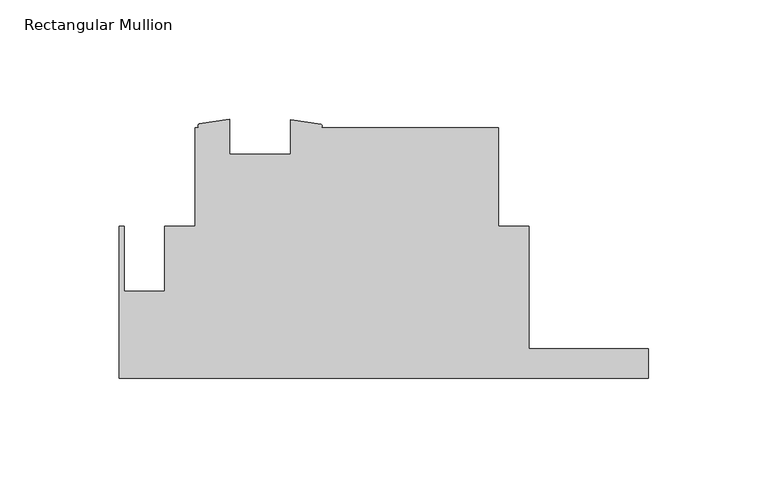
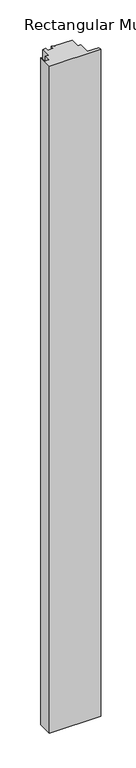
"""IFC4 building model written with IfcOpenShell, lengths in millimetres: member geometry, Rectangular Mullion."""

from ifc_helpers import new_model, si_unit, point, frame, frame_2d, origin, place, context, project, spatial, polyline, circle_curve, trimmed, segment, composite_curve, outline, extrude, source, transform, mapped, element, save


def rectangular_mullion_158859d0(model_context):
    return source(origin(), model_context, "Body", "SweptSolid", [
        extrude(outline(composite_curve([segment(polyline([(-221.4879999, 0.7873996), (-219.4559999, 0.7873996), (-219.4559999, -26.3724009), (-202.5553426, -26.3724009), (-202.5553426, 0.8128), (-189.7390309, 0.8128), (-189.7390309, 42.0623997), (-188.0085587, 42.0623997)]), True, "CONTINUOUS"), segment(trimmed(circle_curve(frame_2d((-187.51196, 42.8941019)), 0.9686789), [point((-188.0085587, 42.0623997))], [point((-188.0085587, 43.7258041))], False, "CARTESIAN"), True, "CONTINUOUS"), segment(polyline([(-188.0085587, 43.7258041), (-175.2355059, 45.5819214), (-175.2355059, 30.9498997), (-149.8355059, 30.9498997), (-149.8355059, 45.4583997), (-137.0642183, 43.6482959)]), True, "CONTINUOUS"), segment(trimmed(circle_curve(frame_2d((-137.5245941, 42.8553478)), 0.9169038), [point((-137.0642183, 43.6482959))], [point((-137.0642183, 42.0623997))], False, "CARTESIAN"), True, "CONTINUOUS"), segment(polyline([(-137.0642183, 42.0623997), (-62.7390309, 42.0623997), (-62.7390309, 0.8196656), (-50.038, 0.8196656), (-50.038, -50.3936), (0.0, -50.3936), (0.0, -62.7126), (-221.4879999, -62.7126), (-221.4879999, 0.7873996)]), True, "CONTINUOUS")], self_intersect=False)), frame((0.0, 0.0, -3048.0), z_axis=(0.0, 0.0, 1.0), x_axis=(1.0, 0.0, 0.0)), (0.0, 0.0, 1.0), 3048.0),
    ])


if __name__ == "__main__":
    model = new_model("IFC4")
    model_context = context("Model", 3, world=origin())
    ifc_project = project(units=[si_unit("LENGTHUNIT", "METRE", prefix="MILLI")], contexts=[model_context])
    site = spatial("IfcSite", under=ifc_project)
    building = spatial("IfcBuilding", under=site)
    placement = place(None, origin())
    rectangular_mullion_shape = rectangular_mullion_158859d0(model_context)
    element("IfcMember", 1, ObjectType="Rectangular Mullion", at=placement, inside=building, context=model_context, shape_type="MappedRepresentation", body=[
        mapped(rectangular_mullion_shape, transform((0.0, 0.0, 0.0), x_axis=(1.0, 0.0, 0.0), y_axis=(0.0, 1.0, 0.0), z_axis=(0.0, 0.0, 1.0))),
    ])
    save(model, "model.ifc")
